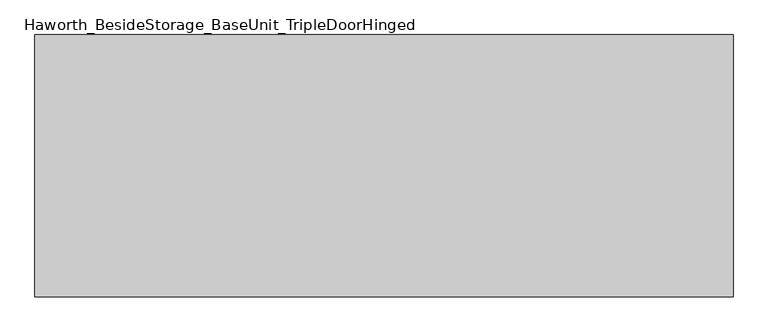
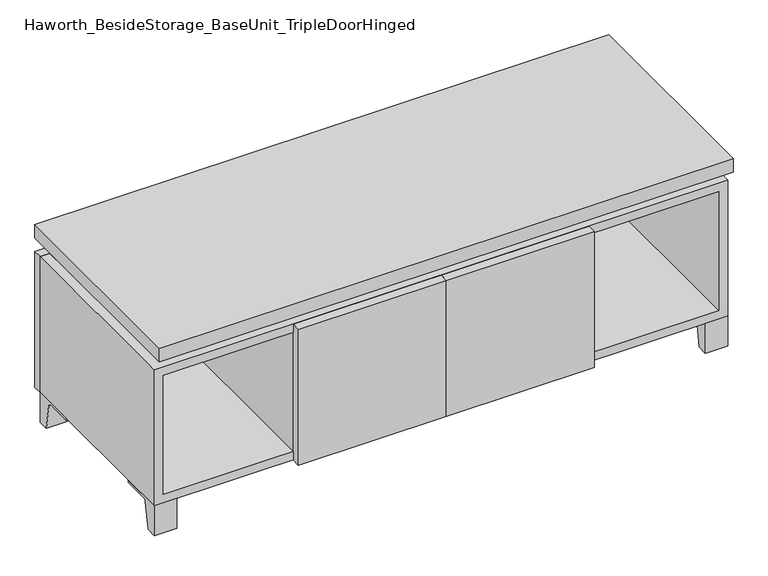
"""IFC4 building model written with IfcOpenShell, lengths in millimetres: furniture geometry, Haworth_BesideStorage_BaseUnit_TripleDoorHinged."""

from ifc_helpers import new_model, si_unit, point, frame, frame_2d, origin, place, context, project, spatial, polyline, circle_curve, trimmed, segment, composite_curve, outline, extrude, faceted_brep, source, transform, mapped, element, save


def haworth_besidestorage_baseunit_tripledoorhinged_ee8c4c77(model_context):
    return source(origin(), model_context, "Body", "SolidModel", [
        extrude(outline(composite_curve([segment(polyline([(38.6291531, 0.0), (15.875, 0.0), (15.875, 66.675), (111.125, 66.675), (111.125, 61.8963321), (54.3244655, 61.8963321)]), True, "CONTINUOUS"), segment(trimmed(circle_curve(frame_2d((54.3244655, 55.5463321)), 6.35), [point((54.3244655, 61.8963321))], [point((48.0608641, 56.5902656))], True, "CARTESIAN"), True, "CONTINUOUS"), segment(polyline([(48.0608641, 56.5902656), (38.6291531, 0.0)]), True, "CONTINUOUS")], self_intersect=False)), frame((-23.7986094, 0.0, 0.0), z_axis=(1.0, 0.0, 0.0), x_axis=(0.0, 1.0, 0.0)), (0.0, 0.0, 1.0), 47.625),
        extrude(outline(composite_curve([segment(polyline([(-129.6458469, 0.0), (-152.4, 0.0), (-152.4, 66.675), (-57.15, 66.675), (-57.15, 61.8963321), (-113.9505345, 61.8963321)]), True, "CONTINUOUS"), segment(trimmed(circle_curve(frame_2d((-113.9505345, 55.5463321)), 6.35), [point((-113.9505345, 61.8963321))], [point((-120.2141359, 56.5902656))], True, "CARTESIAN"), True, "CONTINUOUS"), segment(polyline([(-120.2141359, 56.5902656), (-129.6458469, 0.0)]), True, "CONTINUOUS")], self_intersect=False)), frame((560.4013906, 0.0, 0.0), z_axis=(1.0, 0.0, 0.0), x_axis=(0.0, 1.0, 0.0)), (0.0, 0.0, 1.0), 47.625),
        extrude(outline(composite_curve([segment(polyline([(243.9458469, 0.0), (234.5141359, 56.5902656)]), True, "CONTINUOUS"), segment(trimmed(circle_curve(frame_2d((228.2505345, 55.5463321)), 6.35), [point((234.5141359, 56.5902656))], [point((228.2505345, 61.8963321))], True, "CARTESIAN"), True, "CONTINUOUS"), segment(polyline([(228.2505345, 61.8963321), (171.45, 61.8963321), (171.45, 66.675), (266.7, 66.675), (266.7, 0.0), (243.9458469, 0.0)]), True, "CONTINUOUS")], self_intersect=False)), frame((560.4013906, 0.0, 0.0), z_axis=(1.0, 0.0, 0.0), x_axis=(0.0, 1.0, 0.0)), (0.0, 0.0, 1.0), 47.625),
        extrude(outline(composite_curve([segment(polyline([(-129.6458469, 0.0), (-152.4, 0.0), (-152.4, 66.675), (-57.15, 66.675), (-57.15, 61.8963321), (-113.9505345, 61.8963321)]), True, "CONTINUOUS"), segment(trimmed(circle_curve(frame_2d((-113.9505345, 55.5463321)), 6.35), [point((-113.9505345, 61.8963321))], [point((-120.2141359, 56.5902656))], True, "CARTESIAN"), True, "CONTINUOUS"), segment(polyline([(-120.2141359, 56.5902656), (-129.6458469, 0.0)]), True, "CONTINUOUS")], self_intersect=False)), frame((-607.9986094, 0.0, 0.0), z_axis=(1.0, 0.0, 0.0), x_axis=(0.0, 1.0, 0.0)), (0.0, 0.0, 1.0), 47.625),
        extrude(outline(composite_curve([segment(polyline([(243.9458469, 0.0), (234.5141359, 56.5902656)]), True, "CONTINUOUS"), segment(trimmed(circle_curve(frame_2d((228.2505345, 55.5463321)), 6.35), [point((234.5141359, 56.5902656))], [point((228.2505345, 61.8963321))], True, "CARTESIAN"), True, "CONTINUOUS"), segment(polyline([(228.2505345, 61.8963321), (171.45, 61.8963321), (171.45, 66.675), (266.7, 66.675), (266.7, 0.0), (243.9458469, 0.0)]), True, "CONTINUOUS")], self_intersect=False)), frame((-607.9986094, 0.0, 0.0), z_axis=(1.0, 0.0, 0.0), x_axis=(0.0, 1.0, 0.0)), (0.0, 0.0, 1.0), 47.625),
        faceted_brep([(-607.9986094, -152.4, 66.675), (608.0125, -152.4, 66.675), (608.0125, -152.4, 371.475), (-607.9986094, -152.4, 371.475), (-588.9486094, -152.4, 85.725), (-588.9486094, -152.4, 352.425), (588.9694453, -152.4, 352.425), (588.9486094, -152.4, 85.725), (-607.9986094, 266.7, 66.675), (-607.9986094, 266.7, 371.475), (-588.9486094, 266.7, 371.475), (-588.9486094, 266.7, 85.725), (588.9486094, 266.7, 85.725), (588.9486094, 266.7, 371.475), (608.0125, 266.7, 371.475), (608.0125, 266.7, 66.675), (588.9486094, 241.3, 371.475), (-588.9416641, 241.3, 371.475), (-588.9486094, 241.3, 352.425), (588.9486094, 241.3, 352.425)], [[[0, 1, 2, 3], [4, 5, 6, 7]], [[8, 9, 10, 11, 12, 13, 14, 15]], [[1, 0, 8, 15]], [[2, 1, 15, 14]], [[3, 2, 14, 13, 16, 17, 10, 9]], [[0, 3, 9, 8]], [[11, 10, 17, 18, 5, 4]], [[13, 12, 7, 6, 19, 16]], [[4, 7, 12, 11]], [[6, 5, 18, 19]], [[17, 16, 19, 18]]]),
        extrude(outline(polyline([(608.0263906, -171.45), (-607.9986094, -171.45), (-607.9986094, 285.75), (608.0263906, 285.75), (608.0263906, -171.45)])), frame((0.0, 0.0, 401.6375), z_axis=(0.0, 0.0, 1.0), x_axis=(1.0, 0.0, 0.0)), (0.0, 0.0, 1.0), 30.1625),
        faceted_brep([(7.9513906, -76.2, 401.6375), (7.9513906, -76.2, 371.475), (7.9513906, 47.625, 371.475), (7.9513906, 47.625, 401.6375), (7.9513906, 190.5, 371.475), (7.9513906, 190.5, 401.6375), (7.9513906, 66.675, 401.6375), (7.9513906, 66.675, 371.475), (-7.9236094, 190.5, 401.6375), (-7.9236094, 190.5, 371.475), (-7.9236094, 66.675, 371.475), (-7.9236094, 66.675, 401.6375), (-7.9236094, -76.2, 371.475), (-7.9236094, -76.2, 401.6375), (-7.9236094, 47.625, 401.6375), (-7.9236094, 47.625, 371.475), (-566.6958281, 66.675, 401.6375), (-566.7166641, 241.3, 401.6375), (-582.5916641, 241.3, 401.6375), (-582.5916641, -127.0, 401.6375), (-566.7166641, -127.0, 401.6375), (-566.7166641, 47.625, 401.6375), (566.7236094, 47.625, 401.6375), (566.7236094, -127.0, 401.6375), (582.5986094, -127.0, 401.6375), (582.5986094, 241.3, 401.6375), (566.7236094, 241.3, 401.6375), (566.7236094, 66.675, 401.6375), (-566.6958281, 47.625, 371.475), (-566.7166641, -127.0, 371.475), (-582.5916641, -127.0, 371.475), (-582.5916641, 241.3, 371.475), (-566.7166641, 241.3, 371.475), (-566.7166641, 66.675, 371.475), (566.7236094, 66.675, 371.475), (566.7236094, 241.3, 371.475), (582.5986094, 241.3, 371.475), (582.5986094, -127.0, 371.475), (566.7236094, -127.0, 371.475), (566.7236094, 47.625, 371.475)], [[[0, 1, 2, 3]], [[4, 5, 6, 7]], [[8, 9, 10, 11]], [[12, 13, 14, 15]], [[5, 8, 11, 16, 17, 18, 19, 20, 21, 14, 13, 0, 3, 22, 23, 24, 25, 26, 27, 6]], [[1, 12, 15, 28, 29, 30, 31, 32, 33, 10, 9, 4, 7, 34, 35, 36, 37, 38, 39, 2]], [[5, 4, 9, 8]], [[1, 0, 13, 12]], [[6, 27, 34, 7]], [[22, 3, 2, 39]], [[20, 29, 28, 21]], [[32, 17, 16, 33]], [[18, 31, 30, 19]], [[29, 20, 19, 30]], [[17, 32, 31, 18]], [[26, 35, 34, 27]], [[38, 23, 22, 39]], [[25, 24, 37, 36]], [[23, 38, 37, 24]], [[35, 26, 25, 36]], [[16, 11, 10, 33]], [[14, 21, 28, 15]]]),
        extrude(outline(polyline([(608.0263906, 266.7), (-607.9986094, 266.7), (-607.9986094, 285.75), (608.0263906, 285.75), (608.0263906, 266.7)])), frame((0.0, 0.0, 66.675), z_axis=(0.0, 0.0, 1.0), x_axis=(1.0, 0.0, 0.0)), (0.0, 0.0, 1.0), 304.8),
        extrude(outline(polyline([(-588.9416641, 196.85), (-588.9416641, 203.2), (588.9694453, 203.2), (588.9694453, 196.85), (-588.9416641, 196.85)])), frame((0.0, 0.0, 85.725), z_axis=(0.0, 0.0, 1.0), x_axis=(1.0, 0.0, 0.0)), (0.0, 0.0, 1.0), 266.7),
        extrude(outline(polyline([(0.0138906, -171.45), (0.0138906, -152.4), (313.5451406, -152.4), (313.5451406, -171.45), (0.0138906, -171.45)])), frame((0.0, 0.0, 66.675), z_axis=(0.0, 0.0, 1.0), x_axis=(1.0, 0.0, 0.0)), (0.0, 0.0, 1.0), 304.8),
        extrude(outline(polyline([(0.0138906, -171.45), (-313.5173594, -171.45), (-313.5173594, -152.4), (0.0138906, -152.4), (0.0138906, -171.45)])), frame((0.0, 0.0, 66.675), z_axis=(0.0, 0.0, 1.0), x_axis=(1.0, 0.0, 0.0)), (0.0, 0.0, 1.0), 304.8),
        extrude(outline(polyline([(294.4951406, 196.85), (313.5451406, 196.85), (313.5451406, -152.4), (294.4951406, -152.4), (294.4951406, 196.85)])), frame((0.0, 0.0, 85.725), z_axis=(0.0, 0.0, 1.0), x_axis=(1.0, 0.0, 0.0)), (0.0, 0.0, 1.0), 266.7),
        extrude(outline(polyline([(-313.5173594, 196.85), (-294.4673594, 196.85), (-294.4673594, -152.4), (-313.5173594, -152.4), (-313.5173594, 196.85)])), frame((0.0, 0.0, 85.725), z_axis=(0.0, 0.0, 1.0), x_axis=(1.0, 0.0, 0.0)), (0.0, 0.0, 1.0), 266.7),
    ])


if __name__ == "__main__":
    model = new_model("IFC4")
    model_context = context("Model", 3, world=origin())
    ifc_project = project(units=[si_unit("LENGTHUNIT", "METRE", prefix="MILLI")], contexts=[model_context])
    site = spatial("IfcSite", under=ifc_project)
    building = spatial("IfcBuilding", under=site)
    placement = place(None, origin())
    haworth_besidestorage_baseunit_tripledoorhinged_shape = haworth_besidestorage_baseunit_tripledoorhinged_ee8c4c77(model_context)
    element("IfcFurniture", 1, ObjectType="Haworth_BesideStorage_BaseUnit_TripleDoorHinged", at=placement, inside=building, context=model_context, shape_type="MappedRepresentation", body=[
        mapped(haworth_besidestorage_baseunit_tripledoorhinged_shape, transform((0.0, 0.0, 0.0), x_axis=(1.0, 0.0, 0.0), y_axis=(0.0, 1.0, 0.0), z_axis=(0.0, 0.0, 1.0))),
    ])
    save(model, "model.ifc")
